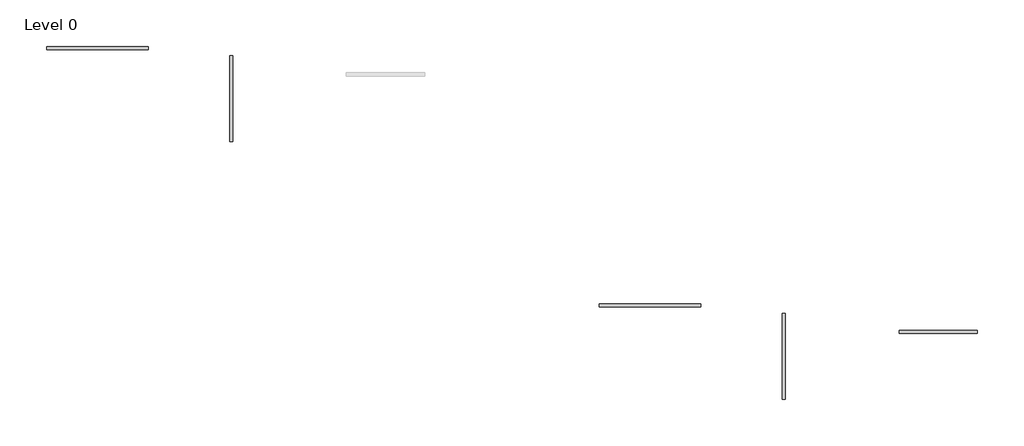
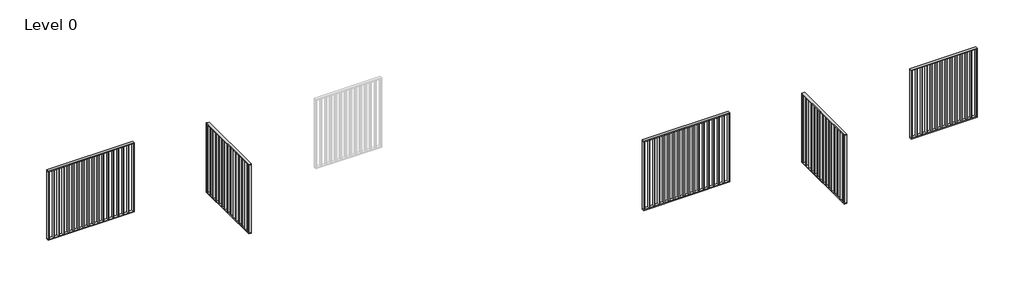
# One storey, part 1 of 3: 5 railings.
"""IFC4 building model written with IfcOpenShell, lengths in millimetres."""

from ifc_helpers import new_model, si_unit, frame, origin, origin_with_axes, place, context, project, spatial, polyline, outline, extrude, element, save

model = new_model("IFC4")

# Units and contexts
model_context = context("Model", 3, world=origin())
ifc_project = project(units=[si_unit("LENGTHUNIT", "METRE", prefix="MILLI")], contexts=[model_context])

# Site, building, storey
site = spatial("IfcSite", under=ifc_project)
building = spatial("IfcBuilding", under=site)
storey = spatial("IfcBuildingStorey", under=building, Name="Level 0", Elevation=0.0)

# Railings
placement = place(None, origin())
element("IfcRailing", 1, at=placement, inside=storey, context=model_context, shape_type="SweptSolid", body=[
    extrude(outline(polyline([(-4206.2560916, -3596.0063997), (-4206.2560916, -3556.0063997), (-2906.2560916, -3556.0063997), (-2906.2560916, -3596.0063997), (-4206.2560916, -3596.0063997)])), frame((0.0, 0.0, 1090.0), z_axis=(0.0, 0.0, 1.0), x_axis=(1.0, 0.0, 0.0)), (0.0, 0.0, 1.0), 10.0),
    extrude(outline(polyline([(-4206.2560916, -3596.0063997), (-4206.2560916, -3556.0063997), (-2906.2560916, -3556.0063997), (-2906.2560916, -3596.0063997), (-4206.2560916, -3596.0063997)])), origin_with_axes(), (0.0, 0.0, 1.0), 10.0),
    extrude(outline(polyline([(-2923.7560916, -3556.0063997), (-2913.7560916, -3556.0063997), (-2913.7560916, -3596.0063997), (-2923.7560916, -3596.0063997), (-2923.7560916, -3556.0063997)])), frame((0.0, 0.0, 10.0), z_axis=(0.0, 0.0, 1.0), x_axis=(1.0, 0.0, 0.0)), (0.0, 0.0, 1.0), 1080.0),
    extrude(outline(polyline([(-2998.7560916, -3556.0063997), (-2988.7560916, -3556.0063997), (-2988.7560916, -3596.0063997), (-2998.7560916, -3596.0063997), (-2998.7560916, -3556.0063997)])), frame((0.0, 0.0, 10.0), z_axis=(0.0, 0.0, 1.0), x_axis=(1.0, 0.0, 0.0)), (0.0, 0.0, 1.0), 1080.0),
    extrude(outline(polyline([(-3073.7560916, -3556.0063997), (-3063.7560916, -3556.0063997), (-3063.7560916, -3596.0063997), (-3073.7560916, -3596.0063997), (-3073.7560916, -3556.0063997)])), frame((0.0, 0.0, 10.0), z_axis=(0.0, 0.0, 1.0), x_axis=(1.0, 0.0, 0.0)), (0.0, 0.0, 1.0), 1080.0),
    extrude(outline(polyline([(-3148.7560916, -3556.0063997), (-3138.7560916, -3556.0063997), (-3138.7560916, -3596.0063997), (-3148.7560916, -3596.0063997), (-3148.7560916, -3556.0063997)])), frame((0.0, 0.0, 10.0), z_axis=(0.0, 0.0, 1.0), x_axis=(1.0, 0.0, 0.0)), (0.0, 0.0, 1.0), 1080.0),
    extrude(outline(polyline([(-3223.7560916, -3556.0063997), (-3213.7560916, -3556.0063997), (-3213.7560916, -3596.0063997), (-3223.7560916, -3596.0063997), (-3223.7560916, -3556.0063997)])), frame((0.0, 0.0, 10.0), z_axis=(0.0, 0.0, 1.0), x_axis=(1.0, 0.0, 0.0)), (0.0, 0.0, 1.0), 1080.0),
    extrude(outline(polyline([(-3298.7560916, -3556.0063997), (-3288.7560916, -3556.0063997), (-3288.7560916, -3596.0063997), (-3298.7560916, -3596.0063997), (-3298.7560916, -3556.0063997)])), frame((0.0, 0.0, 10.0), z_axis=(0.0, 0.0, 1.0), x_axis=(1.0, 0.0, 0.0)), (0.0, 0.0, 1.0), 1080.0),
    extrude(outline(polyline([(-3373.7560916, -3556.0063997), (-3363.7560916, -3556.0063997), (-3363.7560916, -3596.0063997), (-3373.7560916, -3596.0063997), (-3373.7560916, -3556.0063997)])), frame((0.0, 0.0, 10.0), z_axis=(0.0, 0.0, 1.0), x_axis=(1.0, 0.0, 0.0)), (0.0, 0.0, 1.0), 1080.0),
    extrude(outline(polyline([(-3448.7560916, -3556.0063997), (-3438.7560916, -3556.0063997), (-3438.7560916, -3596.0063997), (-3448.7560916, -3596.0063997), (-3448.7560916, -3556.0063997)])), frame((0.0, 0.0, 10.0), z_axis=(0.0, 0.0, 1.0), x_axis=(1.0, 0.0, 0.0)), (0.0, 0.0, 1.0), 1080.0),
    extrude(outline(polyline([(-3523.7560916, -3556.0063997), (-3513.7560916, -3556.0063997), (-3513.7560916, -3596.0063997), (-3523.7560916, -3596.0063997), (-3523.7560916, -3556.0063997)])), frame((0.0, 0.0, 10.0), z_axis=(0.0, 0.0, 1.0), x_axis=(1.0, 0.0, 0.0)), (0.0, 0.0, 1.0), 1080.0),
    extrude(outline(polyline([(-3598.7560916, -3556.0063997), (-3588.7560916, -3556.0063997), (-3588.7560916, -3596.0063997), (-3598.7560916, -3596.0063997), (-3598.7560916, -3556.0063997)])), frame((0.0, 0.0, 10.0), z_axis=(0.0, 0.0, 1.0), x_axis=(1.0, 0.0, 0.0)), (0.0, 0.0, 1.0), 1080.0),
    extrude(outline(polyline([(-3673.7560916, -3556.0063997), (-3663.7560916, -3556.0063997), (-3663.7560916, -3596.0063997), (-3673.7560916, -3596.0063997), (-3673.7560916, -3556.0063997)])), frame((0.0, 0.0, 10.0), z_axis=(0.0, 0.0, 1.0), x_axis=(1.0, 0.0, 0.0)), (0.0, 0.0, 1.0), 1080.0),
    extrude(outline(polyline([(-3748.7560916, -3556.0063997), (-3738.7560916, -3556.0063997), (-3738.7560916, -3596.0063997), (-3748.7560916, -3596.0063997), (-3748.7560916, -3556.0063997)])), frame((0.0, 0.0, 10.0), z_axis=(0.0, 0.0, 1.0), x_axis=(1.0, 0.0, 0.0)), (0.0, 0.0, 1.0), 1080.0),
    extrude(outline(polyline([(-3823.7560916, -3556.0063997), (-3813.7560916, -3556.0063997), (-3813.7560916, -3596.0063997), (-3823.7560916, -3596.0063997), (-3823.7560916, -3556.0063997)])), frame((0.0, 0.0, 10.0), z_axis=(0.0, 0.0, 1.0), x_axis=(1.0, 0.0, 0.0)), (0.0, 0.0, 1.0), 1080.0),
    extrude(outline(polyline([(-3898.7560916, -3556.0063997), (-3888.7560916, -3556.0063997), (-3888.7560916, -3596.0063997), (-3898.7560916, -3596.0063997), (-3898.7560916, -3556.0063997)])), frame((0.0, 0.0, 10.0), z_axis=(0.0, 0.0, 1.0), x_axis=(1.0, 0.0, 0.0)), (0.0, 0.0, 1.0), 1080.0),
    extrude(outline(polyline([(-3973.7560916, -3556.0063997), (-3963.7560916, -3556.0063997), (-3963.7560916, -3596.0063997), (-3973.7560916, -3596.0063997), (-3973.7560916, -3556.0063997)])), frame((0.0, 0.0, 10.0), z_axis=(0.0, 0.0, 1.0), x_axis=(1.0, 0.0, 0.0)), (0.0, 0.0, 1.0), 1080.0),
    extrude(outline(polyline([(-4048.7560916, -3556.0063997), (-4038.7560916, -3556.0063997), (-4038.7560916, -3596.0063997), (-4048.7560916, -3596.0063997), (-4048.7560916, -3556.0063997)])), frame((0.0, 0.0, 10.0), z_axis=(0.0, 0.0, 1.0), x_axis=(1.0, 0.0, 0.0)), (0.0, 0.0, 1.0), 1080.0),
    extrude(outline(polyline([(-4123.7560916, -3556.0063997), (-4113.7560916, -3556.0063997), (-4113.7560916, -3596.0063997), (-4123.7560916, -3596.0063997), (-4123.7560916, -3556.0063997)])), frame((0.0, 0.0, 10.0), z_axis=(0.0, 0.0, 1.0), x_axis=(1.0, 0.0, 0.0)), (0.0, 0.0, 1.0), 1080.0),
    extrude(outline(polyline([(-4198.7560916, -3556.0063997), (-4188.7560916, -3556.0063997), (-4188.7560916, -3596.0063997), (-4198.7560916, -3596.0063997), (-4198.7560916, -3556.0063997)])), frame((0.0, 0.0, 10.0), z_axis=(0.0, 0.0, 1.0), x_axis=(1.0, 0.0, 0.0)), (0.0, 0.0, 1.0), 1080.0),
    extrude(outline(polyline([(-2916.2560916, -3556.0063997), (-2906.2560916, -3556.0063997), (-2906.2560916, -3596.0063997), (-2916.2560916, -3596.0063997), (-2916.2560916, -3556.0063997)])), frame((0.0, 0.0, 10.0), z_axis=(0.0, 0.0, 1.0), x_axis=(1.0, 0.0, 0.0)), (0.0, 0.0, 1.0), 1080.0),
    extrude(outline(polyline([(-4206.2560916, -3556.0063997), (-4196.2560916, -3556.0063997), (-4196.2560916, -3596.0063997), (-4206.2560916, -3596.0063997), (-4206.2560916, -3556.0063997)])), frame((0.0, 0.0, 10.0), z_axis=(0.0, 0.0, 1.0), x_axis=(1.0, 0.0, 0.0)), (0.0, 0.0, 1.0), 1080.0),
])
element("IfcRailing", 2, at=placement, inside=storey, context=model_context, shape_type="SweptSolid", body=[
    extrude(outline(polyline([(-1865.785991, -3676.0063997), (-1825.785991, -3676.0063997), (-1825.785991, -4776.0063997), (-1865.785991, -4776.0063997), (-1865.785991, -3676.0063997)])), frame((0.0, 0.0, 1090.0), z_axis=(0.0, 0.0, 1.0), x_axis=(1.0, 0.0, 0.0)), (0.0, 0.0, 1.0), 10.0),
    extrude(outline(polyline([(-1865.785991, -3676.0063997), (-1825.785991, -3676.0063997), (-1825.785991, -4776.0063997), (-1865.785991, -4776.0063997), (-1865.785991, -3676.0063997)])), origin_with_axes(), (0.0, 0.0, 1.0), 10.0),
    extrude(outline(polyline([(-1825.785991, -4746.0063997), (-1825.785991, -4756.0063997), (-1865.785991, -4756.0063997), (-1865.785991, -4746.0063997), (-1825.785991, -4746.0063997)])), frame((0.0, 0.0, 10.0), z_axis=(0.0, 0.0, 1.0), x_axis=(1.0, 0.0, 0.0)), (0.0, 0.0, 1.0), 1080.0),
    extrude(outline(polyline([(-1825.785991, -4671.0063997), (-1825.785991, -4681.0063997), (-1865.785991, -4681.0063997), (-1865.785991, -4671.0063997), (-1825.785991, -4671.0063997)])), frame((0.0, 0.0, 10.0), z_axis=(0.0, 0.0, 1.0), x_axis=(1.0, 0.0, 0.0)), (0.0, 0.0, 1.0), 1080.0),
    extrude(outline(polyline([(-1825.785991, -4596.0063997), (-1825.785991, -4606.0063997), (-1865.785991, -4606.0063997), (-1865.785991, -4596.0063997), (-1825.785991, -4596.0063997)])), frame((0.0, 0.0, 10.0), z_axis=(0.0, 0.0, 1.0), x_axis=(1.0, 0.0, 0.0)), (0.0, 0.0, 1.0), 1080.0),
    extrude(outline(polyline([(-1825.785991, -4521.0063997), (-1825.785991, -4531.0063997), (-1865.785991, -4531.0063997), (-1865.785991, -4521.0063997), (-1825.785991, -4521.0063997)])), frame((0.0, 0.0, 10.0), z_axis=(0.0, 0.0, 1.0), x_axis=(1.0, 0.0, 0.0)), (0.0, 0.0, 1.0), 1080.0),
    extrude(outline(polyline([(-1825.785991, -4446.0063997), (-1825.785991, -4456.0063997), (-1865.785991, -4456.0063997), (-1865.785991, -4446.0063997), (-1825.785991, -4446.0063997)])), frame((0.0, 0.0, 10.0), z_axis=(0.0, 0.0, 1.0), x_axis=(1.0, 0.0, 0.0)), (0.0, 0.0, 1.0), 1080.0),
    extrude(outline(polyline([(-1825.785991, -4371.0063997), (-1825.785991, -4381.0063997), (-1865.785991, -4381.0063997), (-1865.785991, -4371.0063997), (-1825.785991, -4371.0063997)])), frame((0.0, 0.0, 10.0), z_axis=(0.0, 0.0, 1.0), x_axis=(1.0, 0.0, 0.0)), (0.0, 0.0, 1.0), 1080.0),
    extrude(outline(polyline([(-1825.785991, -4296.0063997), (-1825.785991, -4306.0063997), (-1865.785991, -4306.0063997), (-1865.785991, -4296.0063997), (-1825.785991, -4296.0063997)])), frame((0.0, 0.0, 10.0), z_axis=(0.0, 0.0, 1.0), x_axis=(1.0, 0.0, 0.0)), (0.0, 0.0, 1.0), 1080.0),
    extrude(outline(polyline([(-1825.785991, -4221.0063997), (-1825.785991, -4231.0063997), (-1865.785991, -4231.0063997), (-1865.785991, -4221.0063997), (-1825.785991, -4221.0063997)])), frame((0.0, 0.0, 10.0), z_axis=(0.0, 0.0, 1.0), x_axis=(1.0, 0.0, 0.0)), (0.0, 0.0, 1.0), 1080.0),
    extrude(outline(polyline([(-1825.785991, -4146.0063997), (-1825.785991, -4156.0063997), (-1865.785991, -4156.0063997), (-1865.785991, -4146.0063997), (-1825.785991, -4146.0063997)])), frame((0.0, 0.0, 10.0), z_axis=(0.0, 0.0, 1.0), x_axis=(1.0, 0.0, 0.0)), (0.0, 0.0, 1.0), 1080.0),
    extrude(outline(polyline([(-1825.785991, -4071.0063997), (-1825.785991, -4081.0063997), (-1865.785991, -4081.0063997), (-1865.785991, -4071.0063997), (-1825.785991, -4071.0063997)])), frame((0.0, 0.0, 10.0), z_axis=(0.0, 0.0, 1.0), x_axis=(1.0, 0.0, 0.0)), (0.0, 0.0, 1.0), 1080.0),
    extrude(outline(polyline([(-1825.785991, -3996.0063997), (-1825.785991, -4006.0063997), (-1865.785991, -4006.0063997), (-1865.785991, -3996.0063997), (-1825.785991, -3996.0063997)])), frame((0.0, 0.0, 10.0), z_axis=(0.0, 0.0, 1.0), x_axis=(1.0, 0.0, 0.0)), (0.0, 0.0, 1.0), 1080.0),
    extrude(outline(polyline([(-1825.785991, -3921.0063997), (-1825.785991, -3931.0063997), (-1865.785991, -3931.0063997), (-1865.785991, -3921.0063997), (-1825.785991, -3921.0063997)])), frame((0.0, 0.0, 10.0), z_axis=(0.0, 0.0, 1.0), x_axis=(1.0, 0.0, 0.0)), (0.0, 0.0, 1.0), 1080.0),
    extrude(outline(polyline([(-1825.785991, -3846.0063997), (-1825.785991, -3856.0063997), (-1865.785991, -3856.0063997), (-1865.785991, -3846.0063997), (-1825.785991, -3846.0063997)])), frame((0.0, 0.0, 10.0), z_axis=(0.0, 0.0, 1.0), x_axis=(1.0, 0.0, 0.0)), (0.0, 0.0, 1.0), 1080.0),
    extrude(outline(polyline([(-1825.785991, -3771.0063997), (-1825.785991, -3781.0063997), (-1865.785991, -3781.0063997), (-1865.785991, -3771.0063997), (-1825.785991, -3771.0063997)])), frame((0.0, 0.0, 10.0), z_axis=(0.0, 0.0, 1.0), x_axis=(1.0, 0.0, 0.0)), (0.0, 0.0, 1.0), 1080.0),
    extrude(outline(polyline([(-1825.785991, -3696.0063997), (-1825.785991, -3706.0063997), (-1865.785991, -3706.0063997), (-1865.785991, -3696.0063997), (-1825.785991, -3696.0063997)])), frame((0.0, 0.0, 10.0), z_axis=(0.0, 0.0, 1.0), x_axis=(1.0, 0.0, 0.0)), (0.0, 0.0, 1.0), 1080.0),
    extrude(outline(polyline([(-1825.785991, -4766.0063997), (-1825.785991, -4776.0063997), (-1865.785991, -4776.0063997), (-1865.785991, -4766.0063997), (-1825.785991, -4766.0063997)])), frame((0.0, 0.0, 10.0), z_axis=(0.0, 0.0, 1.0), x_axis=(1.0, 0.0, 0.0)), (0.0, 0.0, 1.0), 1080.0),
    extrude(outline(polyline([(-1825.785991, -3676.0063997), (-1825.785991, -3686.0063997), (-1865.785991, -3686.0063997), (-1865.785991, -3676.0063997), (-1825.785991, -3676.0063997)])), frame((0.0, 0.0, 10.0), z_axis=(0.0, 0.0, 1.0), x_axis=(1.0, 0.0, 0.0)), (0.0, 0.0, 1.0), 1080.0),
])
element("IfcRailing", 3, at=placement, inside=storey, context=model_context, shape_type="SweptSolid", body=[
    extrude(outline(polyline([(2862.9446473, -6892.4288413), (2862.9446473, -6852.4288413), (4162.9446473, -6852.4288413), (4162.9446473, -6892.4288413), (2862.9446473, -6892.4288413)])), frame((0.0, 0.0, 1090.0), z_axis=(0.0, 0.0, 1.0), x_axis=(1.0, 0.0, 0.0)), (0.0, 0.0, 1.0), 10.0),
    extrude(outline(polyline([(2862.9446473, -6892.4288413), (2862.9446473, -6852.4288413), (4162.9446473, -6852.4288413), (4162.9446473, -6892.4288413), (2862.9446473, -6892.4288413)])), origin_with_axes(), (0.0, 0.0, 1.0), 10.0),
    extrude(outline(polyline([(4145.4446473, -6852.4288413), (4155.4446473, -6852.4288413), (4155.4446473, -6892.4288413), (4145.4446473, -6892.4288413), (4145.4446473, -6852.4288413)])), frame((0.0, 0.0, 10.0), z_axis=(0.0, 0.0, 1.0), x_axis=(1.0, 0.0, 0.0)), (0.0, 0.0, 1.0), 1080.0),
    extrude(outline(polyline([(4070.4446473, -6852.4288413), (4080.4446473, -6852.4288413), (4080.4446473, -6892.4288413), (4070.4446473, -6892.4288413), (4070.4446473, -6852.4288413)])), frame((0.0, 0.0, 10.0), z_axis=(0.0, 0.0, 1.0), x_axis=(1.0, 0.0, 0.0)), (0.0, 0.0, 1.0), 1080.0),
    extrude(outline(polyline([(3995.4446473, -6852.4288413), (4005.4446473, -6852.4288413), (4005.4446473, -6892.4288413), (3995.4446473, -6892.4288413), (3995.4446473, -6852.4288413)])), frame((0.0, 0.0, 10.0), z_axis=(0.0, 0.0, 1.0), x_axis=(1.0, 0.0, 0.0)), (0.0, 0.0, 1.0), 1080.0),
    extrude(outline(polyline([(3920.4446473, -6852.4288413), (3930.4446473, -6852.4288413), (3930.4446473, -6892.4288413), (3920.4446473, -6892.4288413), (3920.4446473, -6852.4288413)])), frame((0.0, 0.0, 10.0), z_axis=(0.0, 0.0, 1.0), x_axis=(1.0, 0.0, 0.0)), (0.0, 0.0, 1.0), 1080.0),
    extrude(outline(polyline([(3845.4446473, -6852.4288413), (3855.4446473, -6852.4288413), (3855.4446473, -6892.4288413), (3845.4446473, -6892.4288413), (3845.4446473, -6852.4288413)])), frame((0.0, 0.0, 10.0), z_axis=(0.0, 0.0, 1.0), x_axis=(1.0, 0.0, 0.0)), (0.0, 0.0, 1.0), 1080.0),
    extrude(outline(polyline([(3770.4446473, -6852.4288413), (3780.4446473, -6852.4288413), (3780.4446473, -6892.4288413), (3770.4446473, -6892.4288413), (3770.4446473, -6852.4288413)])), frame((0.0, 0.0, 10.0), z_axis=(0.0, 0.0, 1.0), x_axis=(1.0, 0.0, 0.0)), (0.0, 0.0, 1.0), 1080.0),
    extrude(outline(polyline([(3695.4446473, -6852.4288413), (3705.4446473, -6852.4288413), (3705.4446473, -6892.4288413), (3695.4446473, -6892.4288413), (3695.4446473, -6852.4288413)])), frame((0.0, 0.0, 10.0), z_axis=(0.0, 0.0, 1.0), x_axis=(1.0, 0.0, 0.0)), (0.0, 0.0, 1.0), 1080.0),
    extrude(outline(polyline([(3620.4446473, -6852.4288413), (3630.4446473, -6852.4288413), (3630.4446473, -6892.4288413), (3620.4446473, -6892.4288413), (3620.4446473, -6852.4288413)])), frame((0.0, 0.0, 10.0), z_axis=(0.0, 0.0, 1.0), x_axis=(1.0, 0.0, 0.0)), (0.0, 0.0, 1.0), 1080.0),
    extrude(outline(polyline([(3545.4446473, -6852.4288413), (3555.4446473, -6852.4288413), (3555.4446473, -6892.4288413), (3545.4446473, -6892.4288413), (3545.4446473, -6852.4288413)])), frame((0.0, 0.0, 10.0), z_axis=(0.0, 0.0, 1.0), x_axis=(1.0, 0.0, 0.0)), (0.0, 0.0, 1.0), 1080.0),
    extrude(outline(polyline([(3470.4446473, -6852.4288413), (3480.4446473, -6852.4288413), (3480.4446473, -6892.4288413), (3470.4446473, -6892.4288413), (3470.4446473, -6852.4288413)])), frame((0.0, 0.0, 10.0), z_axis=(0.0, 0.0, 1.0), x_axis=(1.0, 0.0, 0.0)), (0.0, 0.0, 1.0), 1080.0),
    extrude(outline(polyline([(3395.4446473, -6852.4288413), (3405.4446473, -6852.4288413), (3405.4446473, -6892.4288413), (3395.4446473, -6892.4288413), (3395.4446473, -6852.4288413)])), frame((0.0, 0.0, 10.0), z_axis=(0.0, 0.0, 1.0), x_axis=(1.0, 0.0, 0.0)), (0.0, 0.0, 1.0), 1080.0),
    extrude(outline(polyline([(3320.4446473, -6852.4288413), (3330.4446473, -6852.4288413), (3330.4446473, -6892.4288413), (3320.4446473, -6892.4288413), (3320.4446473, -6852.4288413)])), frame((0.0, 0.0, 10.0), z_axis=(0.0, 0.0, 1.0), x_axis=(1.0, 0.0, 0.0)), (0.0, 0.0, 1.0), 1080.0),
    extrude(outline(polyline([(3245.4446473, -6852.4288413), (3255.4446473, -6852.4288413), (3255.4446473, -6892.4288413), (3245.4446473, -6892.4288413), (3245.4446473, -6852.4288413)])), frame((0.0, 0.0, 10.0), z_axis=(0.0, 0.0, 1.0), x_axis=(1.0, 0.0, 0.0)), (0.0, 0.0, 1.0), 1080.0),
    extrude(outline(polyline([(3170.4446473, -6852.4288413), (3180.4446473, -6852.4288413), (3180.4446473, -6892.4288413), (3170.4446473, -6892.4288413), (3170.4446473, -6852.4288413)])), frame((0.0, 0.0, 10.0), z_axis=(0.0, 0.0, 1.0), x_axis=(1.0, 0.0, 0.0)), (0.0, 0.0, 1.0), 1080.0),
    extrude(outline(polyline([(3095.4446473, -6852.4288413), (3105.4446473, -6852.4288413), (3105.4446473, -6892.4288413), (3095.4446473, -6892.4288413), (3095.4446473, -6852.4288413)])), frame((0.0, 0.0, 10.0), z_axis=(0.0, 0.0, 1.0), x_axis=(1.0, 0.0, 0.0)), (0.0, 0.0, 1.0), 1080.0),
    extrude(outline(polyline([(3020.4446473, -6852.4288413), (3030.4446473, -6852.4288413), (3030.4446473, -6892.4288413), (3020.4446473, -6892.4288413), (3020.4446473, -6852.4288413)])), frame((0.0, 0.0, 10.0), z_axis=(0.0, 0.0, 1.0), x_axis=(1.0, 0.0, 0.0)), (0.0, 0.0, 1.0), 1080.0),
    extrude(outline(polyline([(2945.4446473, -6852.4288413), (2955.4446473, -6852.4288413), (2955.4446473, -6892.4288413), (2945.4446473, -6892.4288413), (2945.4446473, -6852.4288413)])), frame((0.0, 0.0, 10.0), z_axis=(0.0, 0.0, 1.0), x_axis=(1.0, 0.0, 0.0)), (0.0, 0.0, 1.0), 1080.0),
    extrude(outline(polyline([(2870.4446473, -6852.4288413), (2880.4446473, -6852.4288413), (2880.4446473, -6892.4288413), (2870.4446473, -6892.4288413), (2870.4446473, -6852.4288413)])), frame((0.0, 0.0, 10.0), z_axis=(0.0, 0.0, 1.0), x_axis=(1.0, 0.0, 0.0)), (0.0, 0.0, 1.0), 1080.0),
    extrude(outline(polyline([(4152.9446473, -6852.4288413), (4162.9446473, -6852.4288413), (4162.9446473, -6892.4288413), (4152.9446473, -6892.4288413), (4152.9446473, -6852.4288413)])), frame((0.0, 0.0, 10.0), z_axis=(0.0, 0.0, 1.0), x_axis=(1.0, 0.0, 0.0)), (0.0, 0.0, 1.0), 1080.0),
    extrude(outline(polyline([(2862.9446473, -6852.4288413), (2872.9446473, -6852.4288413), (2872.9446473, -6892.4288413), (2862.9446473, -6892.4288413), (2862.9446473, -6852.4288413)])), frame((0.0, 0.0, 10.0), z_axis=(0.0, 0.0, 1.0), x_axis=(1.0, 0.0, 0.0)), (0.0, 0.0, 1.0), 1080.0),
])
element("IfcRailing", 4, at=placement, inside=storey, context=model_context, shape_type="SweptSolid", body=[
    extrude(outline(polyline([(5203.4147479, -6972.4288413), (5243.4147479, -6972.4288413), (5243.4147479, -8072.4288413), (5203.4147479, -8072.4288413), (5203.4147479, -6972.4288413)])), frame((0.0, 0.0, 1090.0), z_axis=(0.0, 0.0, 1.0), x_axis=(1.0, 0.0, 0.0)), (0.0, 0.0, 1.0), 10.0),
    extrude(outline(polyline([(5203.4147479, -6972.4288413), (5243.4147479, -6972.4288413), (5243.4147479, -8072.4288413), (5203.4147479, -8072.4288413), (5203.4147479, -6972.4288413)])), origin_with_axes(), (0.0, 0.0, 1.0), 10.0),
    extrude(outline(polyline([(5243.4147479, -8042.4288413), (5243.4147479, -8052.4288413), (5203.4147479, -8052.4288413), (5203.4147479, -8042.4288413), (5243.4147479, -8042.4288413)])), frame((0.0, 0.0, 10.0), z_axis=(0.0, 0.0, 1.0), x_axis=(1.0, 0.0, 0.0)), (0.0, 0.0, 1.0), 1080.0),
    extrude(outline(polyline([(5243.4147479, -7967.4288413), (5243.4147479, -7977.4288413), (5203.4147479, -7977.4288413), (5203.4147479, -7967.4288413), (5243.4147479, -7967.4288413)])), frame((0.0, 0.0, 10.0), z_axis=(0.0, 0.0, 1.0), x_axis=(1.0, 0.0, 0.0)), (0.0, 0.0, 1.0), 1080.0),
    extrude(outline(polyline([(5243.4147479, -7892.4288413), (5243.4147479, -7902.4288413), (5203.4147479, -7902.4288413), (5203.4147479, -7892.4288413), (5243.4147479, -7892.4288413)])), frame((0.0, 0.0, 10.0), z_axis=(0.0, 0.0, 1.0), x_axis=(1.0, 0.0, 0.0)), (0.0, 0.0, 1.0), 1080.0),
    extrude(outline(polyline([(5243.4147479, -7817.4288413), (5243.4147479, -7827.4288413), (5203.4147479, -7827.4288413), (5203.4147479, -7817.4288413), (5243.4147479, -7817.4288413)])), frame((0.0, 0.0, 10.0), z_axis=(0.0, 0.0, 1.0), x_axis=(1.0, 0.0, 0.0)), (0.0, 0.0, 1.0), 1080.0),
    extrude(outline(polyline([(5243.4147479, -7742.4288413), (5243.4147479, -7752.4288413), (5203.4147479, -7752.4288413), (5203.4147479, -7742.4288413), (5243.4147479, -7742.4288413)])), frame((0.0, 0.0, 10.0), z_axis=(0.0, 0.0, 1.0), x_axis=(1.0, 0.0, 0.0)), (0.0, 0.0, 1.0), 1080.0),
    extrude(outline(polyline([(5243.4147479, -7667.4288413), (5243.4147479, -7677.4288413), (5203.4147479, -7677.4288413), (5203.4147479, -7667.4288413), (5243.4147479, -7667.4288413)])), frame((0.0, 0.0, 10.0), z_axis=(0.0, 0.0, 1.0), x_axis=(1.0, 0.0, 0.0)), (0.0, 0.0, 1.0), 1080.0),
    extrude(outline(polyline([(5243.4147479, -7592.4288413), (5243.4147479, -7602.4288413), (5203.4147479, -7602.4288413), (5203.4147479, -7592.4288413), (5243.4147479, -7592.4288413)])), frame((0.0, 0.0, 10.0), z_axis=(0.0, 0.0, 1.0), x_axis=(1.0, 0.0, 0.0)), (0.0, 0.0, 1.0), 1080.0),
    extrude(outline(polyline([(5243.4147479, -7517.4288413), (5243.4147479, -7527.4288413), (5203.4147479, -7527.4288413), (5203.4147479, -7517.4288413), (5243.4147479, -7517.4288413)])), frame((0.0, 0.0, 10.0), z_axis=(0.0, 0.0, 1.0), x_axis=(1.0, 0.0, 0.0)), (0.0, 0.0, 1.0), 1080.0),
    extrude(outline(polyline([(5243.4147479, -7442.4288413), (5243.4147479, -7452.4288413), (5203.4147479, -7452.4288413), (5203.4147479, -7442.4288413), (5243.4147479, -7442.4288413)])), frame((0.0, 0.0, 10.0), z_axis=(0.0, 0.0, 1.0), x_axis=(1.0, 0.0, 0.0)), (0.0, 0.0, 1.0), 1080.0),
    extrude(outline(polyline([(5243.4147479, -7367.4288413), (5243.4147479, -7377.4288413), (5203.4147479, -7377.4288413), (5203.4147479, -7367.4288413), (5243.4147479, -7367.4288413)])), frame((0.0, 0.0, 10.0), z_axis=(0.0, 0.0, 1.0), x_axis=(1.0, 0.0, 0.0)), (0.0, 0.0, 1.0), 1080.0),
    extrude(outline(polyline([(5243.4147479, -7292.4288413), (5243.4147479, -7302.4288413), (5203.4147479, -7302.4288413), (5203.4147479, -7292.4288413), (5243.4147479, -7292.4288413)])), frame((0.0, 0.0, 10.0), z_axis=(0.0, 0.0, 1.0), x_axis=(1.0, 0.0, 0.0)), (0.0, 0.0, 1.0), 1080.0),
    extrude(outline(polyline([(5243.4147479, -7217.4288413), (5243.4147479, -7227.4288413), (5203.4147479, -7227.4288413), (5203.4147479, -7217.4288413), (5243.4147479, -7217.4288413)])), frame((0.0, 0.0, 10.0), z_axis=(0.0, 0.0, 1.0), x_axis=(1.0, 0.0, 0.0)), (0.0, 0.0, 1.0), 1080.0),
    extrude(outline(polyline([(5243.4147479, -7142.4288413), (5243.4147479, -7152.4288413), (5203.4147479, -7152.4288413), (5203.4147479, -7142.4288413), (5243.4147479, -7142.4288413)])), frame((0.0, 0.0, 10.0), z_axis=(0.0, 0.0, 1.0), x_axis=(1.0, 0.0, 0.0)), (0.0, 0.0, 1.0), 1080.0),
    extrude(outline(polyline([(5243.4147479, -7067.4288413), (5243.4147479, -7077.4288413), (5203.4147479, -7077.4288413), (5203.4147479, -7067.4288413), (5243.4147479, -7067.4288413)])), frame((0.0, 0.0, 10.0), z_axis=(0.0, 0.0, 1.0), x_axis=(1.0, 0.0, 0.0)), (0.0, 0.0, 1.0), 1080.0),
    extrude(outline(polyline([(5243.4147479, -6992.4288413), (5243.4147479, -7002.4288413), (5203.4147479, -7002.4288413), (5203.4147479, -6992.4288413), (5243.4147479, -6992.4288413)])), frame((0.0, 0.0, 10.0), z_axis=(0.0, 0.0, 1.0), x_axis=(1.0, 0.0, 0.0)), (0.0, 0.0, 1.0), 1080.0),
    extrude(outline(polyline([(5243.4147479, -8062.4288413), (5243.4147479, -8072.4288413), (5203.4147479, -8072.4288413), (5203.4147479, -8062.4288413), (5243.4147479, -8062.4288413)])), frame((0.0, 0.0, 10.0), z_axis=(0.0, 0.0, 1.0), x_axis=(1.0, 0.0, 0.0)), (0.0, 0.0, 1.0), 1080.0),
    extrude(outline(polyline([(5243.4147479, -6972.4288413), (5243.4147479, -6982.4288413), (5203.4147479, -6982.4288413), (5203.4147479, -6972.4288413), (5243.4147479, -6972.4288413)])), frame((0.0, 0.0, 10.0), z_axis=(0.0, 0.0, 1.0), x_axis=(1.0, 0.0, 0.0)), (0.0, 0.0, 1.0), 1080.0),
])
element("IfcRailing", 5, at=placement, inside=storey, context=model_context, shape_type="SweptSolid", body=[
    extrude(outline(polyline([(6698.3833336, -7230.1404237), (6698.3833336, -7190.1404237), (7698.3833336, -7190.1404237), (7698.3833336, -7230.1404237), (6698.3833336, -7230.1404237)])), frame((0.0, 0.0, 1090.0), z_axis=(0.0, 0.0, 1.0), x_axis=(1.0, 0.0, 0.0)), (0.0, 0.0, 1.0), 10.0),
    extrude(outline(polyline([(6698.3833336, -7230.1404237), (6698.3833336, -7190.1404237), (7698.3833336, -7190.1404237), (7698.3833336, -7230.1404237), (6698.3833336, -7230.1404237)])), origin_with_axes(), (0.0, 0.0, 1.0), 10.0),
    extrude(outline(polyline([(7680.8833336, -7190.1404237), (7690.8833336, -7190.1404237), (7690.8833336, -7230.1404237), (7680.8833336, -7230.1404237), (7680.8833336, -7190.1404237)])), frame((0.0, 0.0, 10.0), z_axis=(0.0, 0.0, 1.0), x_axis=(1.0, 0.0, 0.0)), (0.0, 0.0, 1.0), 1080.0),
    extrude(outline(polyline([(7605.8833336, -7190.1404237), (7615.8833336, -7190.1404237), (7615.8833336, -7230.1404237), (7605.8833336, -7230.1404237), (7605.8833336, -7190.1404237)])), frame((0.0, 0.0, 10.0), z_axis=(0.0, 0.0, 1.0), x_axis=(1.0, 0.0, 0.0)), (0.0, 0.0, 1.0), 1080.0),
    extrude(outline(polyline([(7530.8833336, -7190.1404237), (7540.8833336, -7190.1404237), (7540.8833336, -7230.1404237), (7530.8833336, -7230.1404237), (7530.8833336, -7190.1404237)])), frame((0.0, 0.0, 10.0), z_axis=(0.0, 0.0, 1.0), x_axis=(1.0, 0.0, 0.0)), (0.0, 0.0, 1.0), 1080.0),
    extrude(outline(polyline([(7455.8833336, -7190.1404237), (7465.8833336, -7190.1404237), (7465.8833336, -7230.1404237), (7455.8833336, -7230.1404237), (7455.8833336, -7190.1404237)])), frame((0.0, 0.0, 10.0), z_axis=(0.0, 0.0, 1.0), x_axis=(1.0, 0.0, 0.0)), (0.0, 0.0, 1.0), 1080.0),
    extrude(outline(polyline([(7380.8833336, -7190.1404237), (7390.8833336, -7190.1404237), (7390.8833336, -7230.1404237), (7380.8833336, -7230.1404237), (7380.8833336, -7190.1404237)])), frame((0.0, 0.0, 10.0), z_axis=(0.0, 0.0, 1.0), x_axis=(1.0, 0.0, 0.0)), (0.0, 0.0, 1.0), 1080.0),
    extrude(outline(polyline([(7305.8833336, -7190.1404237), (7315.8833336, -7190.1404237), (7315.8833336, -7230.1404237), (7305.8833336, -7230.1404237), (7305.8833336, -7190.1404237)])), frame((0.0, 0.0, 10.0), z_axis=(0.0, 0.0, 1.0), x_axis=(1.0, 0.0, 0.0)), (0.0, 0.0, 1.0), 1080.0),
    extrude(outline(polyline([(7230.8833336, -7190.1404237), (7240.8833336, -7190.1404237), (7240.8833336, -7230.1404237), (7230.8833336, -7230.1404237), (7230.8833336, -7190.1404237)])), frame((0.0, 0.0, 10.0), z_axis=(0.0, 0.0, 1.0), x_axis=(1.0, 0.0, 0.0)), (0.0, 0.0, 1.0), 1080.0),
    extrude(outline(polyline([(7155.8833336, -7190.1404237), (7165.8833336, -7190.1404237), (7165.8833336, -7230.1404237), (7155.8833336, -7230.1404237), (7155.8833336, -7190.1404237)])), frame((0.0, 0.0, 10.0), z_axis=(0.0, 0.0, 1.0), x_axis=(1.0, 0.0, 0.0)), (0.0, 0.0, 1.0), 1080.0),
    extrude(outline(polyline([(7080.8833336, -7190.1404237), (7090.8833336, -7190.1404237), (7090.8833336, -7230.1404237), (7080.8833336, -7230.1404237), (7080.8833336, -7190.1404237)])), frame((0.0, 0.0, 10.0), z_axis=(0.0, 0.0, 1.0), x_axis=(1.0, 0.0, 0.0)), (0.0, 0.0, 1.0), 1080.0),
    extrude(outline(polyline([(7005.8833336, -7190.1404237), (7015.8833336, -7190.1404237), (7015.8833336, -7230.1404237), (7005.8833336, -7230.1404237), (7005.8833336, -7190.1404237)])), frame((0.0, 0.0, 10.0), z_axis=(0.0, 0.0, 1.0), x_axis=(1.0, 0.0, 0.0)), (0.0, 0.0, 1.0), 1080.0),
    extrude(outline(polyline([(6930.8833336, -7190.1404237), (6940.8833336, -7190.1404237), (6940.8833336, -7230.1404237), (6930.8833336, -7230.1404237), (6930.8833336, -7190.1404237)])), frame((0.0, 0.0, 10.0), z_axis=(0.0, 0.0, 1.0), x_axis=(1.0, 0.0, 0.0)), (0.0, 0.0, 1.0), 1080.0),
    extrude(outline(polyline([(6855.8833336, -7190.1404237), (6865.8833336, -7190.1404237), (6865.8833336, -7230.1404237), (6855.8833336, -7230.1404237), (6855.8833336, -7190.1404237)])), frame((0.0, 0.0, 10.0), z_axis=(0.0, 0.0, 1.0), x_axis=(1.0, 0.0, 0.0)), (0.0, 0.0, 1.0), 1080.0),
    extrude(outline(polyline([(6780.8833336, -7190.1404237), (6790.8833336, -7190.1404237), (6790.8833336, -7230.1404237), (6780.8833336, -7230.1404237), (6780.8833336, -7190.1404237)])), frame((0.0, 0.0, 10.0), z_axis=(0.0, 0.0, 1.0), x_axis=(1.0, 0.0, 0.0)), (0.0, 0.0, 1.0), 1080.0),
    extrude(outline(polyline([(6705.8833336, -7190.1404237), (6715.8833336, -7190.1404237), (6715.8833336, -7230.1404237), (6705.8833336, -7230.1404237), (6705.8833336, -7190.1404237)])), frame((0.0, 0.0, 10.0), z_axis=(0.0, 0.0, 1.0), x_axis=(1.0, 0.0, 0.0)), (0.0, 0.0, 1.0), 1080.0),
    extrude(outline(polyline([(7688.3833336, -7190.1404237), (7698.3833336, -7190.1404237), (7698.3833336, -7230.1404237), (7688.3833336, -7230.1404237), (7688.3833336, -7190.1404237)])), frame((0.0, 0.0, 10.0), z_axis=(0.0, 0.0, 1.0), x_axis=(1.0, 0.0, 0.0)), (0.0, 0.0, 1.0), 1080.0),
    extrude(outline(polyline([(6698.3833336, -7190.1404237), (6708.3833336, -7190.1404237), (6708.3833336, -7230.1404237), (6698.3833336, -7230.1404237), (6698.3833336, -7190.1404237)])), frame((0.0, 0.0, 10.0), z_axis=(0.0, 0.0, 1.0), x_axis=(1.0, 0.0, 0.0)), (0.0, 0.0, 1.0), 1080.0),
])

save(model, "model.ifc")
